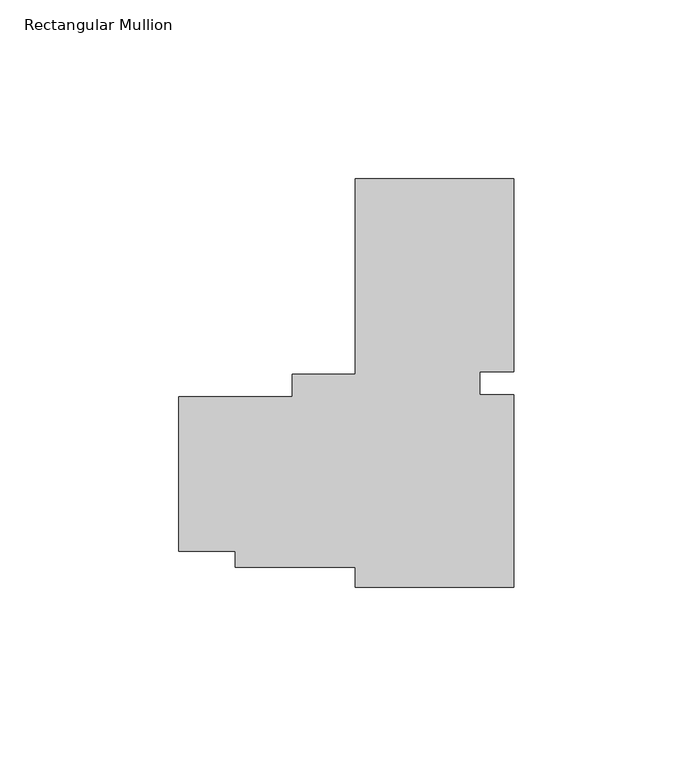
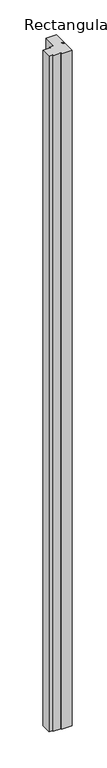
"""IFC4 building model written with IfcOpenShell, lengths in millimetres: member geometry, Rectangular Mullion."""

from ifc_helpers import new_model, si_unit, frame, origin, place, context, project, spatial, polyline, outline, extrude, source, transform, mapped, element, save


def rectangular_mullion_215bcdd8(model_context):
    return source(origin(), model_context, "Body", "SweptSolid", [
        extrude(outline(polyline([(-44.45, 59.7140136), (0.0, 59.7140136), (0.0, 5.7533182), (-9.525, 5.7533182), (-9.525, -0.6869202), (0.0, -0.6869202), (0.0, -54.5859864), (-44.45, -54.5859864), (-44.45, -48.9298626), (-77.8997311, -48.9298626), (-77.8997311, -44.4785761), (-93.7747311, -44.4785761), (-93.7747311, -1.3048626), (-62.0216059, -1.3048626), (-62.0216059, 5.0455736), (-44.45, 5.0455736), (-44.45, 59.7140136)])), frame((0.0, 0.0, -3048.0), z_axis=(0.0, 0.0, 1.0), x_axis=(1.0, 0.0, 0.0)), (0.0, 0.0, 1.0), 3048.0),
    ])


if __name__ == "__main__":
    model = new_model("IFC4")
    model_context = context("Model", 3, world=origin())
    ifc_project = project(units=[si_unit("LENGTHUNIT", "METRE", prefix="MILLI")], contexts=[model_context])
    site = spatial("IfcSite", under=ifc_project)
    building = spatial("IfcBuilding", under=site)
    placement = place(None, origin())
    rectangular_mullion_shape = rectangular_mullion_215bcdd8(model_context)
    element("IfcMember", 1, ObjectType="Rectangular Mullion", at=placement, inside=building, context=model_context, shape_type="MappedRepresentation", body=[
        mapped(rectangular_mullion_shape, transform((0.0, 0.0, 0.0), x_axis=(1.0, 0.0, 0.0), y_axis=(0.0, 1.0, 0.0), z_axis=(0.0, 0.0, 1.0))),
    ])
    save(model, "model.ifc")
